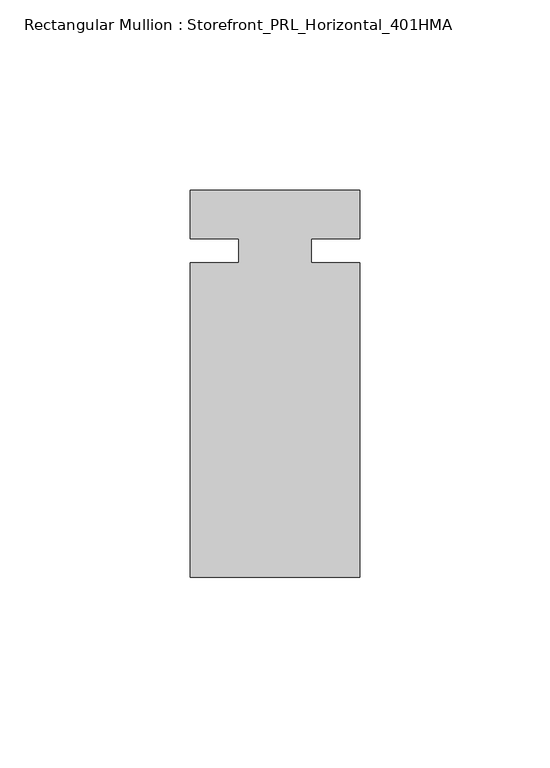
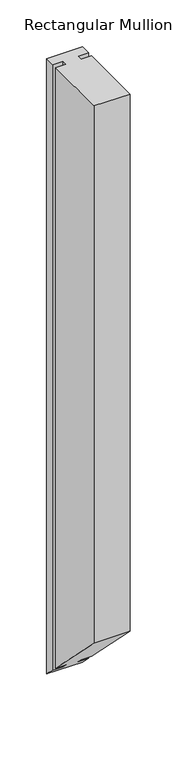
"""IFC4 building model written with IfcOpenShell, lengths in millimetres: member geometry, Rectangular Mullion : Storefront_PRL_Horizontal_401HMA."""

from ifc_helpers import new_model, si_unit, origin, place, context, project, spatial, faceted_brep, source, transform, mapped, element, save


def rectangular_mullion_storefront_prl_horizontal_401hma_86b5c49d(model_context):
    return source(origin(), model_context, "Body", "Brep", [
        faceted_brep([(-9.525, -3.175, 0.0), (-22.225, -3.175, 0.0), (-22.225, -85.725, 0.0), (22.225, -85.725, 0.0), (22.225, -3.175, 0.0), (9.525, -3.175, 0.0), (9.525, 3.175, 0.0), (22.225, 3.175, 0.0), (22.225, 15.875, 0.0), (-22.225, 15.875, 0.0), (-22.225, 3.175, 0.0), (-9.525, 3.175, 0.0), (-9.525, -3.175, -783.1666667), (-22.225, -3.175, -783.1666667), (-22.225, -85.725, -700.6166667), (22.225, -85.725, -700.6166667), (22.225, -3.175, -783.1666667), (9.525, -3.175, -783.1666667), (9.525, 3.175, -789.5166667), (22.225, 3.175, -789.5166667), (22.225, 15.875, -802.2166667), (-22.225, 15.875, -802.2166667), (-22.225, 3.175, -789.5166667), (-9.525, 3.175, -789.5166667)], [[[0, 1, 2, 3, 4, 5, 6, 7, 8, 9, 10, 11]], [[1, 0, 12, 13]], [[2, 1, 13, 14]], [[3, 2, 14, 15]], [[4, 3, 15, 16]], [[5, 4, 16, 17]], [[6, 5, 17, 18]], [[7, 6, 18, 19]], [[8, 7, 19, 20]], [[9, 8, 20, 21]], [[10, 9, 21, 22]], [[11, 10, 22, 23]], [[0, 11, 23, 12]], [[12, 23, 22, 21, 20, 19, 18, 17, 16, 15, 14, 13]]]),
    ])


if __name__ == "__main__":
    model = new_model("IFC4")
    model_context = context("Model", 3, world=origin())
    ifc_project = project(units=[si_unit("LENGTHUNIT", "METRE", prefix="MILLI")], contexts=[model_context])
    site = spatial("IfcSite", under=ifc_project)
    building = spatial("IfcBuilding", under=site)
    placement = place(None, origin())
    rectangular_mullion_storefront_prl_horizontal_401hma_shape = rectangular_mullion_storefront_prl_horizontal_401hma_86b5c49d(model_context)
    element("IfcMember", 1, ObjectType="Rectangular Mullion : Storefront_PRL_Horizontal_401HMA", at=placement, inside=building, context=model_context, shape_type="MappedRepresentation", body=[
        mapped(rectangular_mullion_storefront_prl_horizontal_401hma_shape, transform((0.0, 0.0, 0.0), x_axis=(1.0, 0.0, 0.0), y_axis=(0.0, 1.0, 0.0), z_axis=(0.0, 0.0, 1.0))),
    ])
    save(model, "model.ifc")
